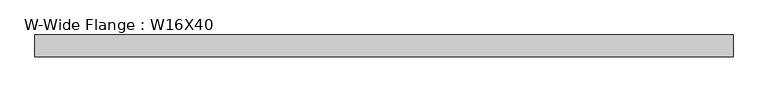
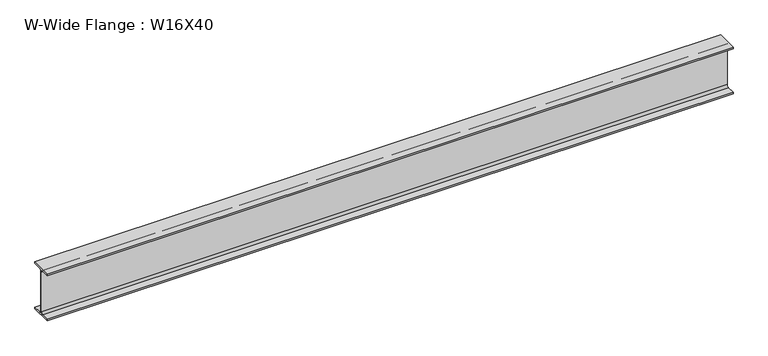
"""IFC4 building model written with IfcOpenShell, lengths in millimetres: beam geometry, W-Wide Flange : W16X40."""

from ifc_helpers import new_model, si_unit, point, frame, frame_2d, origin, place, context, project, spatial, polyline, circle_curve, trimmed, segment, composite_curve, outline, extrude, source, transform, mapped, element, save


def w_wide_flange_w16x40_3c7ea5ac(model_context):
    return source(origin(), model_context, "Body", "SweptSolid", [
        extrude(outline(composite_curve([segment(polyline([(88.9, -190.4), (88.9, -203.2), (-88.9, -203.2), (-88.9, -190.4), (-21.25, -190.4)]), True, "CONTINUOUS"), segment(trimmed(circle_curve(frame_2d((-21.25, -173.0)), 17.4), [point((-21.25, -190.4))], [point((-3.85, -173.0))], True, "CARTESIAN"), True, "CONTINUOUS"), segment(polyline([(-3.85, -173.0), (-3.85, 173.0)]), True, "CONTINUOUS"), segment(trimmed(circle_curve(frame_2d((-21.25, 173.0)), 17.4), [point((-3.85, 173.0))], [point((-21.25, 190.4))], True, "CARTESIAN"), True, "CONTINUOUS"), segment(polyline([(-21.25, 190.4), (-88.9, 190.4), (-88.9, 203.2), (88.9, 203.2), (88.9, 190.4), (21.25, 190.4)]), True, "CONTINUOUS"), segment(trimmed(circle_curve(frame_2d((21.25, 173.0)), 17.4), [point((21.25, 190.4))], [point((3.85, 173.0))], True, "CARTESIAN"), True, "CONTINUOUS"), segment(polyline([(3.85, 173.0), (3.85, -173.0)]), True, "CONTINUOUS"), segment(trimmed(circle_curve(frame_2d((21.25, -173.0)), 17.4), [point((3.85, -173.0))], [point((21.25, -190.4))], True, "CARTESIAN"), True, "CONTINUOUS"), segment(polyline([(21.25, -190.4), (88.9, -190.4)]), True, "CONTINUOUS")], self_intersect=False)), frame((-2096.7607816, 0.0, 0.0), z_axis=(1.0, 0.0, 0.0), x_axis=(0.0, 1.0, 0.0)), (0.0, 0.0, 1.0), 5657.5155349),
    ])


if __name__ == "__main__":
    model = new_model("IFC4")
    model_context = context("Model", 3, world=origin())
    ifc_project = project(units=[si_unit("LENGTHUNIT", "METRE", prefix="MILLI")], contexts=[model_context])
    site = spatial("IfcSite", under=ifc_project)
    building = spatial("IfcBuilding", under=site)
    placement = place(None, origin())
    w_wide_flange_w16x40_shape = w_wide_flange_w16x40_3c7ea5ac(model_context)
    element("IfcBeam", 1, ObjectType="W-Wide Flange : W16X40", at=placement, inside=building, context=model_context, shape_type="MappedRepresentation", body=[
        mapped(w_wide_flange_w16x40_shape, transform((0.0, 0.0, 0.0), x_axis=(1.0, 0.0, 0.0), y_axis=(0.0, 1.0, 0.0), z_axis=(0.0, 0.0, 1.0))),
    ])
    save(model, "model.ifc")
